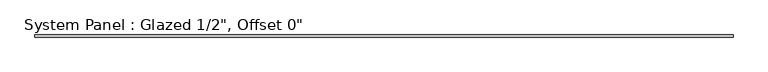
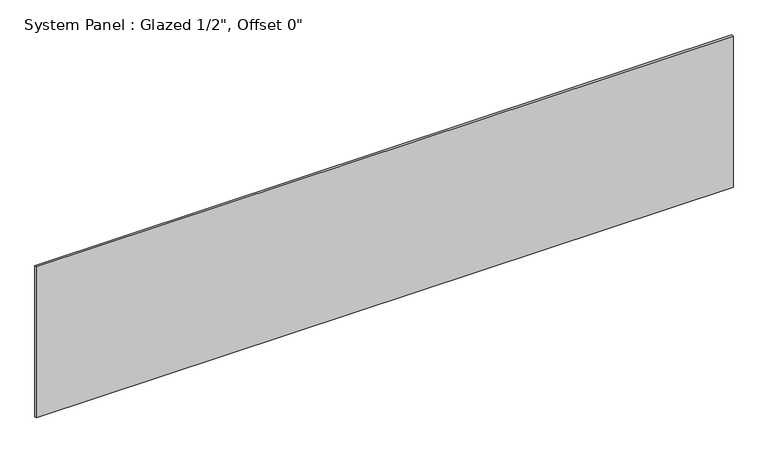
"""IFC4 building model written with IfcOpenShell, lengths in millimetres: plate geometry."""

import ifcopenshell
import ifcopenshell.guid

model = None  # the IFC model being written
_history = None  # IfcOwnerHistory: only IFC2X3 demands one
_inside = {}  # id of a spatial element -> (the spatial element, [elements in it])
_under = {}  # id of a project, library or spatial element -> (it, [spatial elements below it])
_declared = {}  # id of a project -> (the project, [libraries it declares])
_typed = {}  # id of a type object -> (the type object, [elements of that type])
_made_of = {}  # id of a material, layer set ... -> (it, [elements and type objects made of it])


def new_model(schema):
    """Start an empty IFC model of exactly this schema.

    Asked for "IFC4X3", IfcOpenShell would pick the latest addendum, in which some entities
    have other attributes; the version numbers below select the first issue.
    IFC2X3 requires an IfcOwnerHistory on every rooted entity: one is made here for all.
    """
    global model, _history
    if schema == "IFC4X3":
        model = ifcopenshell.file(schema_version=(4, 3, 0, 0))
    else:
        model = ifcopenshell.file(schema=schema)
    _inside.clear()
    _under.clear()
    _declared.clear()
    _typed.clear()
    _made_of.clear()
    _history = None
    if model.schema == "IFC2X3":
        org = make("IfcOrganization", Name="unknown")
        user = make(
            "IfcPersonAndOrganization",
            ThePerson=make("IfcPerson", FamilyName="unknown"),
            TheOrganization=org,
        )
        app = make(
            "IfcApplication",
            ApplicationDeveloper=org,
            Version="unknown",
            ApplicationFullName="unknown",
            ApplicationIdentifier="unknown",
        )
        _history = make(
            "IfcOwnerHistory",
            OwningUser=user,
            OwningApplication=app,
            ChangeAction="ADDED",
            CreationDate=0,
        )
    return model


def make(cls, **values):
    """One entity of the class cls with the attributes given. An attribute that is None is left unset."""
    return model.create_entity(
        cls, **{name: value for name, value in values.items() if value is not None}
    )


def rooted(cls, **values):
    """An entity with a GlobalId (a new one), such as an element, a storey or a relation."""
    return make(cls, GlobalId=ifcopenshell.guid.new(), OwnerHistory=_history, **values)


def si_unit(unit_type, name, prefix=None):
    """IfcSIUnit, for example si_unit("LENGTHUNIT", "METRE", prefix="MILLI")."""
    return make("IfcSIUnit", UnitType=unit_type, Prefix=prefix, Name=name)


def assignment(units):
    """IfcUnitAssignment: the units of a project."""
    return None if units is None else make("IfcUnitAssignment", Units=units)


def point(xyz):
    """IfcCartesianPoint."""
    return None if xyz is None else make("IfcCartesianPoint", Coordinates=xyz)


def direction(xyz):
    """IfcDirection."""
    return None if xyz is None else make("IfcDirection", DirectionRatios=xyz)


def frame(location, z_axis=None, x_axis=None):
    """IfcAxis2Placement3D, a coordinate frame: its origin and axes. An axis left out is left unset."""
    return make(
        "IfcAxis2Placement3D",
        Location=point(location),
        Axis=direction(z_axis),
        RefDirection=direction(x_axis),
    )


def origin():
    """The frame at (0, 0, 0) with its axes left unset."""
    return frame((0.0, 0.0, 0.0))


def origin_with_axes():
    """The frame at (0, 0, 0) with the z axis (0, 0, 1) and the x axis (1, 0, 0) written out."""
    return frame((0.0, 0.0, 0.0), z_axis=(0.0, 0.0, 1.0), x_axis=(1.0, 0.0, 0.0))


def place(relative_to, where):
    """IfcLocalPlacement: puts the frame where relative to a parent placement (None: the world)."""
    return make(
        "IfcLocalPlacement", PlacementRelTo=relative_to, RelativePlacement=where
    )


def context(
    kind, dimensions, precision=None, world=None, true_north=None, identifier=None
):
    """IfcGeometricRepresentationContext, for example the 3D "Model" context."""
    return make(
        "IfcGeometricRepresentationContext",
        ContextIdentifier=identifier,
        ContextType=kind,
        CoordinateSpaceDimension=dimensions,
        Precision=precision,
        WorldCoordinateSystem=world,
        TrueNorth=true_north,
    )


def project(units=None, contexts=None):
    """IfcProject with its units and contexts."""
    return rooted(
        "IfcProject",
        Name="project",
        RepresentationContexts=contexts,
        UnitsInContext=assignment(units),
    )


def spatial(cls, under=None, at=None, **own):
    """A site, building, storey or space (cls), placed at a placement, below another one or the project."""
    s = rooted(cls, ObjectPlacement=at, **own)
    if under is not None:
        _under.setdefault(under.id(), (under, []))[1].append(s)
    return s


def polyline(points):
    """IfcPolyline through the points."""
    return make("IfcPolyline", Points=[point(p) for p in points])


def outline(outer, holes=None, kind="AREA"):
    """IfcArbitraryClosedProfileDef: a profile drawn as a closed curve; with holes, ...WithVoids."""
    if holes is None:
        return make("IfcArbitraryClosedProfileDef", ProfileType=kind, OuterCurve=outer)
    return make(
        "IfcArbitraryProfileDefWithVoids",
        ProfileType=kind,
        OuterCurve=outer,
        InnerCurves=holes,
    )


def extrude(swept, where, along, depth):
    """IfcExtrudedAreaSolid: the profile swept, set in the frame where, extruded along a direction by depth."""
    return make(
        "IfcExtrudedAreaSolid",
        SweptArea=swept,
        Position=where,
        ExtrudedDirection=direction(along),
        Depth=depth,
    )


def shape(context_of_items, identifier, shape_type, items):
    """IfcShapeRepresentation: the items that make up one representation, for example the "Body"."""
    return make(
        "IfcShapeRepresentation",
        ContextOfItems=context_of_items,
        RepresentationIdentifier=identifier,
        RepresentationType=shape_type,
        Items=items,
    )


def source(mapping_origin, context_of_items, identifier, shape_type, items):
    """IfcRepresentationMap: a shape defined once, which mapped items show again and again."""
    return make(
        "IfcRepresentationMap",
        MappingOrigin=mapping_origin,
        MappedRepresentation=shape(context_of_items, identifier, shape_type, items),
    )


def transform(
    local_origin,
    x_axis=None,
    y_axis=None,
    z_axis=None,
    scale=None,
    scale2=None,
    scale3=None,
    uniform=True,
):
    """IfcCartesianTransformationOperator3D, or its non-uniform kind. x_axis, y_axis, z_axis: its Axis1, 2, 3."""
    if uniform:
        return make(
            "IfcCartesianTransformationOperator3D",
            Axis1=direction(x_axis),
            Axis2=direction(y_axis),
            LocalOrigin=point(local_origin),
            Scale=scale,
            Axis3=direction(z_axis),
        )
    return make(
        "IfcCartesianTransformationOperator3DnonUniform",
        Axis1=direction(x_axis),
        Axis2=direction(y_axis),
        LocalOrigin=point(local_origin),
        Scale=scale,
        Axis3=direction(z_axis),
        Scale2=scale2,
        Scale3=scale3,
    )


def mapped(mapping_source, mapping_target):
    """IfcMappedItem: shows the shape of a source again, moved by a transform."""
    return make(
        "IfcMappedItem", MappingSource=mapping_source, MappingTarget=mapping_target
    )


def made_of(thing, what):
    """Note that an element or type object is made of a material, layer set ...; save() writes the relation."""
    if what is not None:
        _made_of.setdefault(what.id(), (what, []))[1].append(thing)
    return thing


def element(
    cls,
    number,
    at=None,
    inside=None,
    cuts=None,
    type_object=None,
    material=None,
    context=None,
    identifier="Body",
    shape_type=None,
    held_by="IfcProductDefinitionShape",
    body=None,
    shapes=None,
    **own,
):
    """One element of the class cls, such as IfcWall. Its Tag is "e" and its number.

    at: its placement. inside: the storey or other place that contains it. cuts: it is an
    opening in that element (IfcRelVoidsElement). A single representation is given by context,
    identifier, shape_type and body (its items); several are given by shapes. held_by: the class
    of the entity that holds the representations. save() writes the other relations.
    """
    e = rooted(cls, Tag="e%d" % number, ObjectPlacement=at, **own)
    if body is not None:
        shapes = [shape(context, identifier, shape_type, body)]
    if shapes is not None:
        e.Representation = make(held_by, Representations=shapes)
    if inside is not None:
        _inside.setdefault(inside.id(), (inside, []))[1].append(e)
    if cuts is not None:
        rooted(
            "IfcRelVoidsElement", RelatingBuildingElement=cuts, RelatedOpeningElement=e
        )
    if type_object is not None:
        _typed.setdefault(type_object.id(), (type_object, []))[1].append(e)
    return made_of(e, material)


def aggregate(whole, parts):
    """IfcRelAggregates: a whole, such as a stair, and the parts it consists of."""
    return rooted("IfcRelAggregates", RelatingObject=whole, RelatedObjects=parts)


def save(model, path):
    """Write the relations noted so far, then the file.

    IfcRelAggregates (storeys below a building ...), IfcRelContainedInSpatialStructure (elements
    in a storey), IfcRelDefinesByType, IfcRelAssociatesMaterial and IfcRelDeclares: one each for
    every whole, place, type object, material and project.
    """
    for whole, parts in _under.values():
        aggregate(whole, parts)
    for where, things in _inside.values():
        rooted(
            "IfcRelContainedInSpatialStructure",
            RelatedElements=things,
            RelatingStructure=where,
        )
    for kind, things in _typed.values():
        rooted("IfcRelDefinesByType", RelatedObjects=things, RelatingType=kind)
    for what, things in _made_of.values():
        rooted("IfcRelAssociatesMaterial", RelatedObjects=things, RelatingMaterial=what)
    for by, libraries in _declared.values():
        rooted("IfcRelDeclares", RelatingContext=by, RelatedDefinitions=libraries)
    model.write(path)


def plate_e261ad53(model_context):
    return source(origin(), model_context, "Body", "SweptSolid", [
        extrude(outline(polyline([(2108.2, -6.35), (-2108.2, -6.35), (-2108.2, 6.35), (2108.2, 6.35), (2108.2, -6.35)])), origin_with_axes(), (0.0, 0.0, 1.0), 965.2),
    ])


if __name__ == "__main__":
    model = new_model("IFC4")
    model_context = context("Model", 3, world=origin())
    ifc_project = project(units=[si_unit("LENGTHUNIT", "METRE", prefix="MILLI")], contexts=[model_context])
    site = spatial("IfcSite", under=ifc_project)
    building = spatial("IfcBuilding", under=site)
    placement = place(None, origin())
    plate_shape = plate_e261ad53(model_context)
    element("IfcPlate", 1, ObjectType="System Panel : Glazed 1/2\", Offset 0\"", at=placement, inside=building, context=model_context, shape_type="MappedRepresentation", body=[
        mapped(plate_shape, transform((0.0, 0.0, 0.0), x_axis=(1.0, 0.0, 0.0), y_axis=(0.0, 1.0, 0.0), z_axis=(0.0, 0.0, 1.0))),
    ])
    save(model, "model.ifc")
